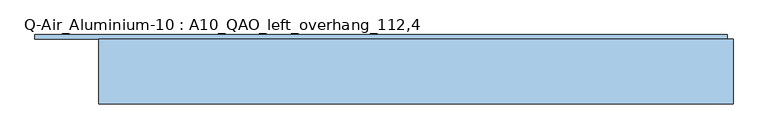
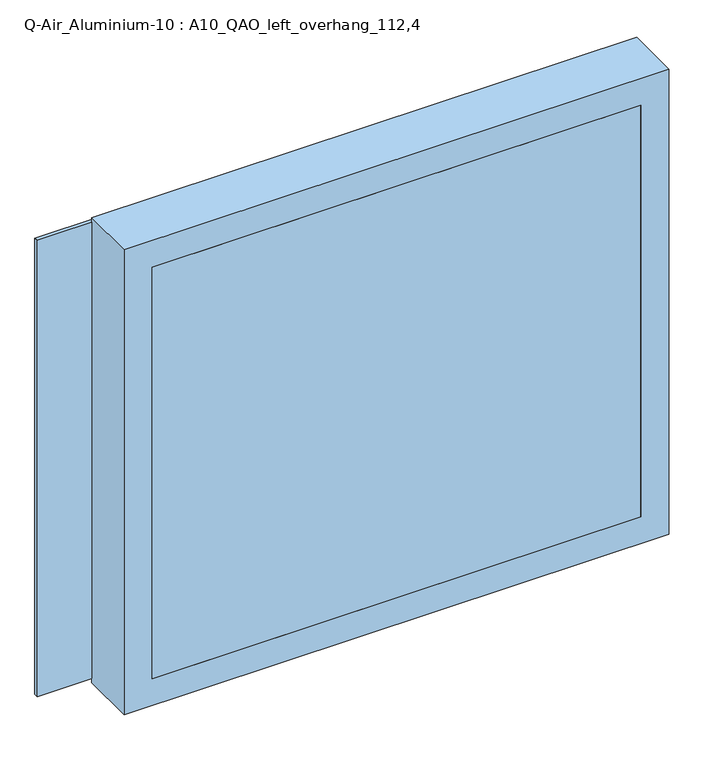
"""IFC4 building model written with IfcOpenShell, lengths in millimetres: window geometry, Q-Air_Aluminium-10 : A10_QAO_left_overhang_112,4."""

from ifc_helpers import new_model, si_unit, frame, origin, place, context, project, spatial, polyline, outline, extrude, source, transform, mapped, element, save


def q_air_aluminium_10_a10_qao_left_overhang_112_4_c830cb45(model_context):
    return source(origin(), model_context, "Body", "SweptSolid", [
        extrude(outline(polyline([(1010.0, 560.0000002), (1010.0, -560.0000002), (0.0, -560.0000002), (0.0, 560.0000002), (1010.0, 560.0000002)]), holes=[polyline([(952.0, 502.0000002), (58.0, 502.0000002), (58.0, -502.0000002), (952.0, -502.0000002), (952.0, 502.0000002)])]), frame((0.0, 0.0, 0.0), z_axis=(0.0, 1.0, 0.0), x_axis=(0.0, 0.0, 1.0)), (0.0, 0.0, 1.0), 114.5),
        extrude(outline(polyline([(502.0000002, 0.0), (-502.0000002, 0.0), (-502.0000002, 12.5), (502.0000002, 12.5), (502.0000002, 0.0)])), frame((0.0, 0.0, 58.0), z_axis=(0.0, 0.0, 1.0), x_axis=(1.0, 0.0, 0.0)), (0.0, 0.0, 1.0), 894.0),
        extrude(outline(polyline([(550.0000002, 114.5), (-672.4000002, 114.5), (-672.4000002, 122.5), (550.0000002, 122.5), (550.0000002, 114.5)])), frame((0.0, 0.0, 10.0), z_axis=(0.0, 0.0, 1.0), x_axis=(1.0, 0.0, 0.0)), (0.0, 0.0, 1.0), 990.0),
        extrude(outline(polyline([(1000.0, 550.0000002), (1000.0, -672.4000002), (10.0, -672.4000002), (10.0, 550.0000002), (1000.0, 550.0000002)]), holes=[polyline([(952.0, 502.0000002), (58.0, 502.0000002), (58.0, -502.0000002), (952.0, -502.0000002), (952.0, 502.0000002)])]), frame((0.0, 114.5, 0.0), z_axis=(0.0, 1.0, 0.0), x_axis=(0.0, 0.0, 1.0)), (0.0, 0.0, 1.0), 4.0),
    ])


if __name__ == "__main__":
    model = new_model("IFC4")
    model_context = context("Model", 3, world=origin())
    ifc_project = project(units=[si_unit("LENGTHUNIT", "METRE", prefix="MILLI")], contexts=[model_context])
    site = spatial("IfcSite", under=ifc_project)
    building = spatial("IfcBuilding", under=site)
    placement = place(None, origin())
    q_air_aluminium_10_a10_qao_left_overhang_112_4_shape = q_air_aluminium_10_a10_qao_left_overhang_112_4_c830cb45(model_context)
    element("IfcWindow", 1, ObjectType="Q-Air_Aluminium-10 : A10_QAO_left_overhang_112,4", at=placement, inside=building, context=model_context, shape_type="MappedRepresentation", body=[
        mapped(q_air_aluminium_10_a10_qao_left_overhang_112_4_shape, transform((0.0, 0.0, 0.0), x_axis=(1.0, 0.0, 0.0), y_axis=(0.0, 1.0, 0.0), z_axis=(0.0, 0.0, 1.0))),
    ])
    save(model, "model.ifc")
